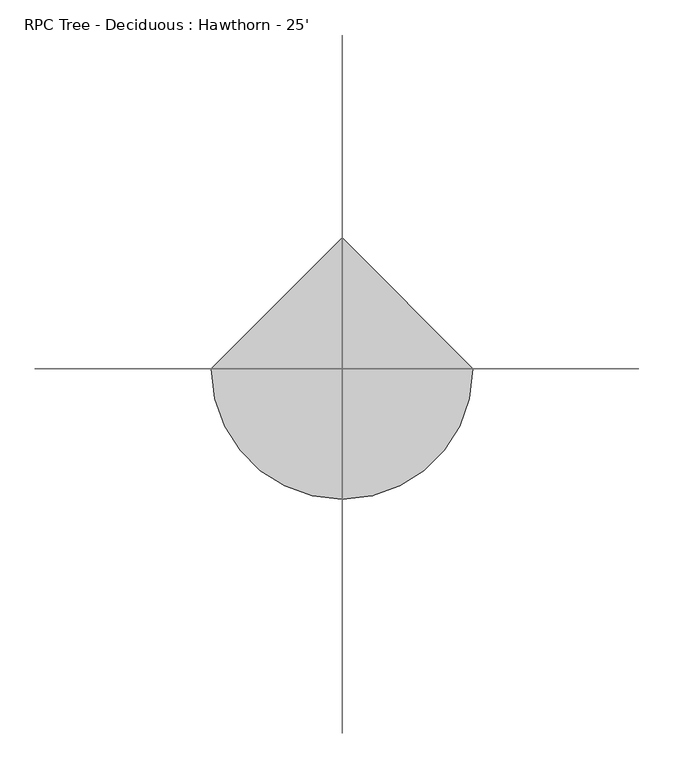
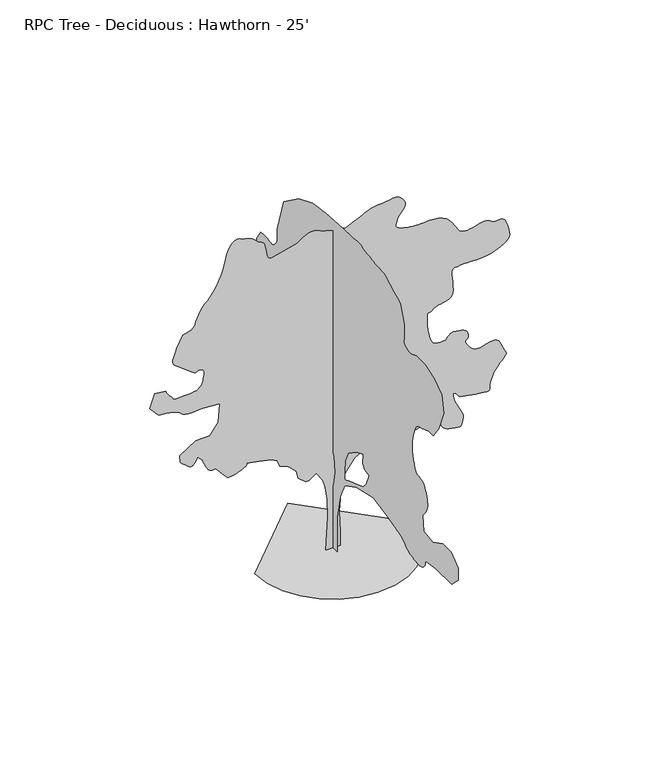
"""IFC4 building model written with IfcOpenShell, lengths in millimetres: geographic element geometry, RPC Tree - Deciduous : Hawthorn - 25'."""

from ifc_helpers import new_model, si_unit, origin, place, context, project, spatial, triangles, source, transform, mapped, element, save


def rpc_tree_deciduous_hawthorn_25_a438f522(model_context):
    return source(origin(), model_context, "Body", "Tessellation", [
        triangles([(159.1331283, 0.0003947, 0.019308), (-154.090976, 0.0003947, 0.019308), (-109.3440979, 0.0003507, 738.3315319), (-120.5310059, 0.000328, 1118.6758307), (-165.2768666, 0.0003107, 1409.5258827), (-210.0237538, 0.0003, 1588.5119053), (-355.4472356, 0.000288, 1789.8701088), (-500.8748051, 0.000294, 1689.1897717), (-579.1803815, 0.0002947, 1678.0035358), (-735.7915707, 0.0002867, 1812.2424351), (-780.538694, 0.000276, 1991.2284576), (-937.1498468, 0.0002667, 2147.8396832), (-1127.3219599, 0.000262, 2226.1452232), (-1183.2552464, 0.000254, 2360.3841225), (-1306.3080551, 0.00025, 2427.5035721), (-1563.5970016, 0.0002467, 2483.4367859), (-1820.8885643, 0.000244, 2528.1814384), (-1818.86674, 0.0002446, 2518.4962738), (-1819.0953598, 0.0002452, 2508.2221916), (-1823.8248676, 0.0002459, 2496.7743439), (-1835.3057076, 0.0002466, 2483.5664291), (-1855.7857075, 0.0002476, 2468.0089485), (-1887.5203983, 0.0002487, 2449.5176353), (-1932.7551373, 0.00025, 2427.5035721), (-1983.2071449, 0.0002513, 2406.1420853), (-2029.5519905, 0.0002523, 2389.4746433), (-2072.4703011, 0.000253, 2376.7238228), (-2112.6530228, 0.0002536, 2367.102317), (-2150.7784573, 0.000254, 2359.8303772), (-2187.5321732, 0.0002544, 2354.1230221), (-2223.605262, 0.0002547, 2349.1978867), (-2346.6579254, 0.0002467, 2483.4367859), (-2480.8968246, 0.0002373, 2640.0478661), (-2507.2492859, 0.0002376, 2635.5522102), (-2533.5026253, 0.0002377, 2632.8090637), (-2559.5553955, 0.0002377, 2633.596225), (-2585.33638, 0.0002373, 2639.6670753), (-2610.710994, 0.0002366, 2652.7732521), (-2635.5774994, 0.0002353, 2674.6934258), (-2659.885318, 0.0002333, 2707.1548164), (-2681.9072296, 0.0002311, 2744.2133102), (-2700.3982521, 0.000229, 2778.9097389), (-2715.9429428, 0.0002271, 2811.6501823), (-2729.1511482, 0.0002252, 2842.8413017), (-2740.6065536, 0.0002234, 2872.8385986), (-2750.8681366, 0.0002217, 2902.0740234), (-2760.570742, 0.00022, 2930.9030777), (-2861.2308769, 0.000214, 3031.5885017), (-2928.3631165, 0.00022, 2930.9030777), (-2940.4789467, 0.0002211, 2912.005394), (-2953.5089653, 0.0002221, 2894.8857994), (-2968.2664948, 0.0002229, 2881.2968033), (-2985.6907219, 0.0002234, 2872.9656258), (-3006.6202583, 0.0002235, 2871.6956451), (-3031.9695831, 0.0002231, 2879.2396614), (-3062.6020157, 0.000222, 2897.3496025), (-3096.5362816, 0.0002205, 2923.0035599), (-3130.1150459, 0.0002188, 2950.6387917), (-3161.5093506, 0.0002172, 2978.0708382), (-3189.0175552, 0.0002157, 3003.1405289), (-3210.8362816, 0.0002144, 3023.7145638), (-3225.212439, 0.0002136, 3037.6337723), (-3230.3940994, 0.0002133, 3042.7645638), (-3241.5701614, 0.000204, 3199.3808762), (-2905.9857033, 0.0001913, 3411.9277863), (-2603.9547203, 0.0001906, 3423.1038483), (-2424.9634655, 0.0001766, 3658.0281715), (-2391.402578, 0.0001526, 4060.7448692), (-2760.570742, 0.0001506, 4094.2980537), (-2839.3868614, 0.0001512, 4085.027108), (-2916.5522095, 0.0001516, 4077.7374367), (-2990.3898537, 0.0001518, 4074.3338654), (-3059.2490227, 0.0001517, 4076.8229576), (-3121.4283669, 0.0001511, 4087.1354095), (-3175.301532, 0.0001499, 4107.2266251), (-3219.2180374, 0.000148, 4139.0528801), (-3263.4394661, 0.0001459, 4173.1650421), (-3318.227401, 0.0001444, 4199.6317406), (-3381.8287514, 0.0001432, 4219.7741158), (-3452.4660095, 0.0001423, 4234.8106979), (-3528.3866661, 0.0001416, 4246.0120491), (-3607.8379211, 0.0001411, 4254.6990189), (-3689.0413948, 0.0001406, 4262.0904282), (-3879.2111824, 0.000128, 4474.6373383), (-3767.3496964, 0.0001106, 4765.4925499), (-3543.6267242, 0.000112, 4743.1151367), (-3529.174118, 0.0001135, 4716.8007545), (-3514.3404305, 0.0001151, 4690.7657158), (-3498.7195816, 0.0001166, 4665.3402328), (-3481.9046196, 0.0001181, 4640.7786507), (-3463.5406242, 0.0001195, 4617.3853111), (-3443.2206436, 0.0001208, 4595.4904266), (-3420.563887, 0.000122, 4575.3227623), (-3403.5713196, 0.0001231, 4556.2983421), (-3395.5956436, 0.0001242, 4538.2642685), (-3389.1692917, 0.0001251, 4522.1861801), (-3376.875856, 0.0001259, 4509.0544235), (-3351.2727676, 0.0001265, 4499.8340561), (-3304.9177483, 0.0001267, 4495.4907166), (-3230.3940994, 0.0001266, 4497.0147514), (-3147.7933273, 0.0001263, 4501.8153305), (-3080.4326134, 0.0001261, 4506.6159096), (-3025.7972855, 0.0001258, 4511.3911995), (-2981.3473824, 0.0001255, 4516.1917786), (-2944.5429428, 0.0001252, 4520.9923576), (-2912.7928459, 0.0001249, 4525.7929367), (-2883.6082901, 0.0001246, 4530.5679359), (-2855.0332901, 0.0001233, 4552.2596352), (-2827.6521126, 0.000122, 4574.6370483), (-2802.607711, 0.0001206, 4598.3858894), (-2781.0686188, 0.0001191, 4624.1668739), (-2764.2539474, 0.0001174, 4652.7165848), (-2753.2810707, 0.0001154, 4684.6695763), (-2749.3693909, 0.0001133, 4720.7377235), (-2745.4071327, 0.0001109, 4760.7934181), (-2736.720163, 0.0001084, 4802.805098), (-2728.2366692, 0.0001059, 4844.6133018), (-2724.858387, 0.0001036, 4884.0850204), (-2731.4370552, 0.0001015, 4919.0352127), (-2752.8999893, 9.98e-05, 4947.3561584), (-2794.1242172, 9.86e-05, 4966.8636887), (-2835.4754723, 9.84e-05, 4971.2320267), (-2860.596032, 9.89e-05, 4962.0883987), (-2879.2396614, 9.97e-05, 4949.2356949), (-2901.2359932, 0.0001001, 4942.4541321), (-2936.3132126, 9.95e-05, 4951.5216019), (-2994.3015335, 9.75e-05, 4986.2183212), (-3084.9794289, 9.33e-05, 5056.3477615), (-3185.5886948, 8.86e-05, 5134.4522964), (-3266.6398521, 8.52e-05, 5192.2121429), (-3327.7268211, 8.25e-05, 5238.0337646), (-3368.4429405, 7.99e-05, 5280.3497864), (-3388.4327087, 7.71e-05, 5327.5178375), (-3387.2897552, 7.35e-05, 5388.0205399), (-3364.6329987, 6.86e-05, 5470.2399399), (-3332.3750839, 6.34e-05, 5558.3020065), (-3302.4792343, 5.9e-05, 5632.2666779), (-3274.5137901, 5.53e-05, 5694.4966003), (-3248.1488297, 5.21e-05, 5747.3282593), (-3222.926532, 4.94e-05, 5793.1248825), (-3198.4916862, 4.69e-05, 5834.2217926), (-3174.4635017, 4.46e-05, 5872.9566376), (-3129.0991196, 4.4e-05, 5882.81185), (-3084.8015327, 4.34e-05, 5894.2163864), (-3042.6628258, 4.25e-05, 5908.7707306), (-3003.7500847, 4.13e-05, 5928.0236252), (-2969.155394, 3.98e-05, 5953.5255569), (-2939.945549, 3.78e-05, 5986.850267), (-2917.1617653, 3.53e-05, 6029.5732407), (-2900.9310699, 3.27e-05, 6072.7020035), (-2888.6120544, 3.06e-05, 6108.7701508), (-2877.258387, 2.86e-05, 6141.7140701), (-2863.9487343, 2.66e-05, 6175.4195709), (-2845.7370552, 2.43e-05, 6213.8497833), (-2819.7273056, 2.15e-05, 6260.8649368), (-2782.9228661, 1.79e-05, 6320.4281616), (-2744.5688118, 1.47e-05, 6374.7841461), (-2713.0727692, 1.26e-05, 6410.1918686), (-2684.3201637, 1.1e-05, 6436.3792236), (-2654.1702599, 9.4e-06, 6463.150264), (-2618.5596428, 7.2e-06, 6500.2852066), (-2573.3475769, 3.8e-06, 6557.5875229), (-2514.4552414, -1.4e-06, 6644.8362671), (-2453.8586494, -7.4e-06, 6746.4620407), (-2405.0042187, -1.31e-05, 6841.4324066), (-2365.9314583, -1.85e-05, 6931.32285), (-2334.6868538, -2.36e-05, 7017.682695), (-2309.3123852, -2.86e-05, 7102.0868454), (-2287.8543926, -3.36e-05, 7186.1102051), (-2268.3497692, -3.87e-05, 7271.2759369), (-2244.5754936, -4.38e-05, 7356.7980423), (-2212.386034, -4.86e-05, 7437.6204346), (-2172.9551559, -5.29e-05, 7509.0451447), (-2127.4586597, -5.63e-05, 7566.3730408), (-2077.0701656, -5.86e-05, 7604.9299896), (-2022.9657646, -5.95e-05, 7619.9924423), (-1966.3136993, -5.87e-05, 7606.8862656), (-1910.121199, -5.73e-05, 7582.9086594), (-1856.4689507, -5.63e-05, 7565.7887741), (-1805.1685936, -5.54e-05, 7551.412326), (-1756.0195587, -5.45e-05, 7535.6644501), (-1708.8265091, -5.32e-05, 7514.4302811), (-1663.3961426, -5.14e-05, 7483.5943726), (-1619.5303608, -4.87e-05, 7439.0936005), (-1579.0555058, -4.63e-05, 7399.0890656), (-1543.670747, -4.51e-05, 7378.0827896), (-1512.9800331, -4.44e-05, 7366.2974625), (-1486.5970505, -4.37e-05, 7353.9022888), (-1464.1256023, -4.23e-05, 7331.1437943), (-1445.1773403, -3.97e-05, 7288.217926), (-1429.3581024, -3.54e-05, 7215.3456299), (-1415.9875523, -3.04e-05, 7132.3890656), (-1403.2038849, -2.64e-05, 7065.2571167), (-1388.8528713, -2.34e-05, 7013.4155136), (-1370.7858055, -2.11e-05, 6976.2299927), (-1346.8464237, -1.98e-05, 6953.1412857), (-1314.8855839, -1.92e-05, 6943.5401276), (-1272.7470222, -1.94e-05, 6946.8678314), (-758.1663677, -2.74e-05, 7081.1067307), (-698.2198814, -2.99e-05, 7123.7785446), (-638.1794329, -3.23e-05, 7163.5040268), (-577.9408496, -3.43e-05, 7197.3368454), (-517.4101693, -3.58e-05, 7222.4068268), (-456.4857994, -3.66e-05, 7235.6908997), (-395.0737412, -3.65e-05, 7234.3444702), (-333.0749456, -3.54e-05, 7215.3456299), (-271.7289263, -3.38e-05, 7188.8786407), (-212.1431193, -3.25e-05, 7166.5015182), (-154.0251915, -3.14e-05, 7147.5526749), (-97.0814925, -3.04e-05, 7131.34785), (-41.0181631, -2.95e-05, 7117.1742966), (14.4578691, -2.88e-05, 7104.3983322), (69.6403804, -2.81e-05, 7092.3077911), (270.9999556, -2.67e-05, 7069.9306686), (584.2222612, -3.47e-05, 7204.1695679), (629.9473045, -3.64e-05, 7232.7445679), (676.749317, -3.81e-05, 7260.1254547), (725.7026516, -3.96e-05, 7285.1698563), (777.8843502, -4.08e-05, 7306.7092392), (834.371382, -4.18e-05, 7323.5239105), (896.2406433, -4.25e-05, 7334.4964966), (964.56656, -4.27e-05, 7338.4084671), (1038.7294024, -4.3e-05, 7343.6912842), (1115.4373655, -4.38e-05, 7356.0102997), (1191.7540735, -4.46e-05, 7370.107695), (1264.743441, -4.52e-05, 7380.6739105), (1331.4717808, -4.54e-05, 7382.4261292), (1389.0027168, -4.46e-05, 7370.107695), (1434.402562, -4.27e-05, 7338.4084671), (1469.8203129, -4.03e-05, 7297.1080811), (1498.5858536, -3.8e-05, 7258.7540268), (1519.5229477, -3.58e-05, 7222.177771), (1531.4610271, -3.37e-05, 7186.1607834), (1533.2212395, -3.15e-05, 7149.5595291), (1523.6327259, -2.92e-05, 7111.2054749), (1501.5195408, -2.67e-05, 7069.9306686), (1474.1255733, -2.45e-05, 7032.3637756), (1449.4698109, -2.28e-05, 7003.585881), (1427.5522533, -2.14e-05, 6980.1163834), (1408.3752262, -2.01e-05, 6958.3991043), (1391.9388748, -1.87e-05, 6934.9040268), (1378.2407284, -1.7e-05, 6906.151712), (1367.2806416, -1.47e-05, 6868.5598206), (1355.7362881, -1.23e-05, 6828.0210159), (1343.4097149, -1.02e-05, 6792.1819244), (1334.9946762, -8.3e-06, 6760.2542221), (1335.1903038, -6.6e-06, 6731.4507477), (1348.692968, -5e-06, 6705.0093384), (1380.1965683, -3.5e-06, 6680.1172531), (1434.402562, -2.1e-06, 6656.0123291), (1502.5633724, -8e-07, 6635.3118484), (1571.509164, 1e-07, 6620.4778702), (1639.2813354, 7e-07, 6610.5209198), (1703.9217213, 1e-06, 6604.5015198), (1763.4744816, 1.2e-06, 6601.4028717), (1815.9839218, 1.3e-06, 6600.2593369), (1859.4914406, 1.3e-06, 6600.0820221), (1908.6404755, 1.1e-06, 6602.7998795), (1975.9885448, 8e-07, 6608.0571167), (2056.4454071, 6e-07, 6611.5371368), (2144.9261982, 8e-07, 6608.9715958), (2236.3432926, 1.5e-06, 6596.0177353), (2325.6064487, 3.2e-06, 6568.3827942), (2407.633128, 5.9e-06, 6521.7734299), (2476.0555504, 9.6e-06, 6460.1789337), (2530.3911873, 1.36e-05, 6393.2754593), (2574.3635033, 1.77e-05, 6325.4063461), (2611.6760513, 2.15e-05, 6260.8649368), (2646.0422676, 2.49e-05, 6203.9689911), (2681.1959358, 2.76e-05, 6158.9856903), (2720.8452599, 2.93e-05, 6130.258374), (2765.3207428, 3.01e-05, 6115.9580841), (2812.1074219, 3.05e-05, 6110.4973709), (2860.8753754, 3.04e-05, 6112.3513275), (2911.1926529, 2.99e-05, 6120.0729492), (2962.6784637, 2.92e-05, 6132.2140686), (3014.9770157, 2.83e-05, 6147.2765213), (3067.6310692, 2.73e-05, 6163.8115585), (3115.4592545, 2.67e-05, 6173.1080841), (3162.4746986, 2.63e-05, 6180.6518097), (3207.9405281, 2.6e-05, 6184.6649368), (3251.0698723, 2.61e-05, 6183.3952469), (3291.0494087, 2.66e-05, 6175.0637787), (3327.1172653, 2.76e-05, 6157.9444748), (3358.4862808, 2.93e-05, 6130.258374), (3393.4620529, 3.05e-05, 6109.9386841), (3438.1912994, 3.06e-05, 6108.7957306), (3488.8135002, 3.01e-05, 6115.881926), (3541.3913956, 2.99e-05, 6120.200267), (3592.0135963, 3.04e-05, 6110.8531631), (3636.7428429, 3.25e-05, 6076.8424484), (3671.718615, 3.66e-05, 6007.1955368), (3699.2776886, 4.18e-05, 5920.2258453), (3722.3408157, 4.65e-05, 5841.4608856), (3737.75877, 5.07e-05, 5770.9250748), (3742.4323219, 5.44e-05, 5708.5934143), (3733.1866653, 5.76e-05, 5654.4914841), (3706.9484413, 6.04e-05, 5608.5937042), (3660.5172638, 6.26e-05, 5570.9256546), (3605.0439056, 6.46e-05, 5537.5247864), (3550.9419754, 6.65e-05, 5505.1145554), (3494.096608, 6.84e-05, 5474.6594376), (3430.3935196, 7e-05, 5447.1262344), (3355.7431343, 7.14e-05, 5423.5044205), (3266.0302963, 7.25e-05, 5404.7846329), (3157.1407219, 7.33e-05, 5391.931929), (3050.6893707, 7.37e-05, 5385.4549988), (2967.1235413, 7.38e-05, 5383.8550964), (2900.6008575, 7.37e-05, 5385.2009445), (2845.2036575, 7.36e-05, 5387.5124313), (2795.1148544, 7.35e-05, 5388.8332809), (2744.4417847, 7.36e-05, 5387.2327972), (2687.2917847, 7.4e-05, 5380.755867), (2632.1995079, 7.44e-05, 5373.8725662), (2590.4418823, 7.46e-05, 5369.5292267), (2560.1905312, 7.5e-05, 5363.4330872), (2539.7510811, 7.57e-05, 5351.2663879), (2527.325386, 7.71e-05, 5328.7369492), (2521.1609367, 7.93e-05, 5291.5258484), (2519.4970848, 8.26e-05, 5235.3409058), (2523.9979729, 8.71e-05, 5159.8269104), (2533.5866318, 9.23e-05, 5072.4002701), (2542.3849319, 9.78e-05, 4980.2494995), (2544.5441025, 0.0001032, 4890.6636887), (2534.1732239, 0.0001079, 4810.8569321), (2505.4078285, 0.0001117, 4748.0680321), (2452.3776352, 0.000114, 4709.5616615), (2387.9658691, 0.0001152, 4689.2416809), (2328.8373562, 0.0001161, 4674.4079933), (2274.7963234, 0.0001168, 4662.2924538), (2225.6474339, 0.0001175, 4650.2019127), (2181.1949146, 0.0001184, 4635.3682251), (2141.2406673, 0.0001196, 4615.0482445), (2105.594442, 0.0001213, 4586.4988243), (2074.7410927, 0.0001226, 4564.2231491), (2049.1734673, 0.000123, 4557.6189011), (2028.6908512, 0.0001231, 4556.2727623), (2013.1029945, 0.0001235, 4549.846701), (2002.2088921, 0.0001248, 4527.9773964), (1995.8156776, 0.0001276, 4480.2506584), (1993.727869, 0.0001326, 4396.3293274), (1998.2947414, 0.000139, 4289.0143661), (2011.0810249, 0.0001454, 4181.4709305), (2030.7126755, 0.0001515, 4079.0327065), (2055.8256775, 0.000157, 3986.9578033), (2085.0483124, 0.0001616, 3910.5546181), (2117.0091522, 0.0001649, 3855.0812599), (2150.3415653, 0.0001666, 3825.8202553), (2188.6294899, 0.0001673, 3814.6444839), (2233.3766132, 0.0001676, 3808.9294258), (2280.0795765, 0.0001677, 3807.3292328), (2324.2399624, 0.0001677, 3808.4721863), (2361.351796, 0.0001675, 3810.9868584), (2386.9220375, 0.0001674, 3813.5015305), (2396.4468922, 0.0001673, 3814.6444839), (2400.0004543, 0.0001668, 3823.2041359), (2411.1865448, 0.0001655, 3844.8958351), (2430.787674, 0.0001638, 3873.6231514), (2459.5862068, 0.000162, 3903.3411049), (2498.3643631, 0.0001605, 3927.9791359), (2547.8968048, 0.0001597, 3941.4411049), (2608.9837738, 0.00016, 3937.6817413), (2671.9758591, 0.0001607, 3924.8296188), (2726.5347382, 0.0001614, 3912.9675522), (2772.483387, 0.0001623, 3898.9468964), (2809.6183296, 0.0001634, 3879.6428421), (2837.7866684, 0.0001651, 3851.906163), (2856.7352211, 0.0001674, 3812.6379204), (2866.2855103, 0.0001706, 3758.7135956), (2862.7040428, 0.0001735, 3709.9456421), (2847.1593521, 0.0001752, 3682.3104103), (2826.9411095, 0.0001761, 3666.8418777), (2809.2625374, 0.0001769, 3654.4722839), (2801.3885994, 0.0001779, 3636.235025), (2810.5072289, 0.0001799, 3603.1387894), (2843.9080971, 0.0001833, 3546.1666855), (2889.3486374, 0.000187, 3484.6480568), (2930.6490234, 0.0001895, 3441.7218979), (2969.2315521, 0.0001912, 3414.061377), (3006.467942, 0.0001921, 3398.3640793), (3043.6790428, 0.0001925, 3391.2523041), (3082.2615715, 0.0001926, 3389.4233459), (3123.5619576, 0.0001926, 3389.5503731), (3174.7428452, 0.0001921, 3399.3294273), (3238.4459335, 0.0001908, 3421.249601), (3309.3628258, 0.0001894, 3444.134832), (3382.2607018, 0.0001886, 3456.860218), (3451.8311646, 0.0001891, 3448.2496971), (3512.7911064, 0.0001916, 3407.1524963), (3559.8571289, 0.0001966, 3322.4181335), (3596.9920715, 0.0002022, 3228.6924591), (3629.6310677, 0.0002061, 3162.9572273), (3654.6498894, 0.0002089, 3117.5419762), (3668.8993103, 0.0002108, 3084.8776909), (3669.2803917, 0.0002124, 3057.2680389), (3652.5924568, 0.0002142, 3027.1437149), (3615.7880173, 0.0002166, 2986.8336754), (3572.5063568, 0.0002193, 2942.3837723), (3537.6831917, 0.0002217, 2904.233194), (3509.8447746, 0.0002237, 2871.3148544), (3487.6196777, 0.0002256, 2842.5872475), (3469.6111839, 0.0002272, 2817.0094482), (3454.4219948, 0.0002288, 2793.5399506), (3440.6298134, 0.0002303, 2771.0863792), (3437.2006622, 0.00023, 2773.5501823), (3432.5271103, 0.0002299, 2772.1278854), (3425.3897552, 0.0002303, 2763.0345451), (3414.5439056, 0.0002314, 2742.4099319), (3398.7451607, 0.0002335, 2706.4182335), (3376.7235397, 0.0002367, 2651.1986389), (3347.3102188, 0.0002413, 2572.9412064), (3325.1359909, 0.0002461, 2493.0582916), (3319.1924583, 0.0002496, 2433.9271626), (3319.7005669, 0.000252, 2392.9976841), (3316.9065514, 0.0002535, 2367.722192), (3300.9807793, 0.0002543, 2355.5581089), (3262.1694855, 0.0002544, 2353.9579159), (3190.6939064, 0.000254, 2360.3841225), (3103.5213203, 0.0002534, 2370.2977615), (3023.3843513, 0.0002528, 2380.8006088), (2949.1147568, 0.0002521, 2391.791217), (2879.544294, 0.0002514, 2403.1729351), (2813.5044296, 0.0002507, 2414.8492573), (2749.8266304, 0.00025, 2426.721207), (2687.2917847, 0.0002493, 2438.6895172), (2647.0584846, 0.0002464, 2487.937674), (2609.8473839, 0.0002438, 2530.6275101), (2578.6815536, 0.0002421, 2560.2158203), (2556.6343529, 0.0002415, 2570.1219017), (2546.7285622, 0.0002425, 2553.8150482), (2551.9863808, 0.0002454, 2504.7319977), (2575.4302986, 0.0002507, 2416.3173363), (2612.9463226, 0.0002568, 2313.8436493), (2654.9324226, 0.000262, 2225.2638817), (2696.3598358, 0.0002666, 2148.0351654), (2732.09748, 0.0002707, 2079.6102722), (2757.0910126, 0.0002744, 2017.4488049), (2766.209642, 0.0002779, 1959.0060059), (2754.4240242, 0.0002813, 1901.734211), (2736.8980591, 0.0002844, 1850.8910934), (2728.0081947, 0.0002866, 1812.7631882), (2721.2516304, 0.0002882, 1786.3802055), (2710.2025955, 0.0002891, 1770.7567406), (2688.3841599, 0.0002895, 1764.9197422), (2649.3443916, 0.0002893, 1767.8864216), (2586.6063606, 0.0002887, 1778.6815475), (2516.4972679, 0.0002878, 1792.6413059), (2458.5092377, 0.000287, 1806.7966919), (2411.0875683, 0.000286, 1822.7122902), (2372.6700005, 0.0002849, 1841.9528309), (2341.6871532, 0.0002834, 1866.0878403), (2316.5741512, 0.0002816, 1896.6795776), (2295.766555, 0.0002793, 1935.2952438), (2282.6220085, 0.0002768, 1976.9435738), (2278.2862267, 0.0002746, 2015.0688629), (2277.8621246, 0.0002726, 2048.8888916), (2276.46003, 0.0002708, 2077.6214401), (2269.185474, 0.0002695, 2100.4838528), (2251.1515457, 0.0002685, 2116.6915844), (2217.4610149, 0.000268, 2125.4673569), (2177.5728973, 0.0002678, 2129.2823856), (2143.5572411, 0.0002676, 2131.3372021), (2114.4335827, 0.0002676, 2131.9239395), (2089.2216042, 0.0002676, 2131.3372021), (2066.9483997, 0.0002677, 2129.8691231), (2046.6284191, 0.0002678, 2127.8143066), (2027.2887566, 0.000268, 2125.4673569), (1758.8111034, 0.000274, 2024.7868744), (1579.8250809, 0.0002667, 2147.8396832), (1380.9128036, 0.0002704, 2075.457328), (1410.85429, 0.0002716, 2057.3014595), (1436.60984, 0.0002729, 2038.5130714), (1453.9936626, 0.0002741, 2018.4597897), (1458.8195309, 0.0002755, 1996.5066238), (1446.9019444, 0.0002771, 1972.0210545), (1414.0572922, 0.0002788, 1944.370562), (1356.0970219, 0.0002807, 1912.9203014), (1293.4784603, 0.0002823, 1885.3308517), (1245.5334217, 0.0002833, 1868.8920296), (1206.3972204, 0.0002837, 1862.4353016), (1170.1971771, 0.0002835, 1864.7822514), (1131.0609032, 0.0002829, 1874.7644909), (1083.118408, 0.0002819, 1891.2008423), (1020.4998465, 0.0002807, 1912.9203014), (729.6473236, 0.0002753, 2002.4145481), (461.1695615, 0.000284, 1856.9895584), (259.8112671, 0.0003, 1588.5119053), (192.6930892, 0.0003113, 1398.3397923), (170.3192732, 0.0003253, 1163.422954), (136.7603205, 0.0003487, 771.8924921), (159.1331283, 0.0003767, 302.0564901), (-0.000123, -157.488225, 0.0160584), (-0.000123, 166.924822, 0.0160778), (-0.0001013, 177.738606, 702.9113102), (-8.68e-05, 231.8072715, 1059.765691), (-7.23e-05, 404.8273247, 1416.6200718), (-6.51e-05, 567.0341025, 1654.5213936), (-5.79e-05, 848.1915413, 1849.1689602), (-4.34e-05, 1334.8118385, 2065.4447124), (-2.89e-05, 1907.9419716, 2130.3263626), (-2.89e-05, 2243.1683121, 1924.8659386), (-2.89e-05, 2491.8848167, 1892.4250408), (-2.17e-05, 2632.4532715, 2162.7697311), (-1.45e-05, 2859.5545258, 2195.2106289), (-7.2e-06, 3335.3469955, 2227.6513813), (0.0, 3616.5246002, 2249.279567), (7.2e-06, 3757.0881134, 2357.4172977), (7.2e-06, 3746.2931328, 2530.436824), (1.45e-05, 3919.2921661, 2638.5747002), (1.45e-05, 3967.7046181, 2647.972673), (1.45e-05, 4014.4912971, 2658.1328087), (1.45e-05, 4058.052301, 2669.7913994), (2.17e-05, 4096.7874367, 2683.7106079), (2.17e-05, 4129.1215096, 2700.6775955), (2.17e-05, 4153.3784592, 2721.4295265), (2.17e-05, 4168.0089615, 2746.7024025), (2.17e-05, 4176.6447716, 2777.0299118), (2.17e-05, 4184.163208, 2811.9042366), (2.17e-05, 4190.7162964, 2850.5629234), (2.89e-05, 4196.5075127, 2892.2443909), (2.89e-05, 4201.7400421, 2936.1861855), (2.89e-05, 4206.6167793, 2981.6523056), (2.89e-05, 4211.2650421, 3027.8802979), (3.62e-05, 4027.4454483, 3254.9559723), (2.89e-05, 3627.3195808, 3276.5968025), (2.17e-05, 3389.4233459, 3103.5721893), (2.17e-05, 3374.8945816, 3100.7020157), (2.17e-05, 3336.7184235, 3093.8440041), (2.17e-05, 3283.0228638, 3085.690432), (1.45e-05, 3221.9614746, 3078.8580002), (1.45e-05, 3161.6363777, 3075.9878265), (1.45e-05, 3110.2270157, 3079.7216103), (1.45e-05, 3075.8352196, 3092.7516289), (1.45e-05, 3052.3404327, 3114.7479607), (1.45e-05, 3028.2866684, 3143.0183281), (1.45e-05, 3003.7500847, 3176.4444855), (1.45e-05, 2978.8582901, 3214.0619568), (2.17e-05, 2953.6615723, 3254.803656), (2.17e-05, 2928.2869583, 3297.6277863), (2.17e-05, 2902.8106064, 3341.4681335), (2.89e-05, 2848.734256, 3611.8254684), (3.62e-05, 3075.8352196, 3784.8247925), (5.06e-05, 3248.8598328, 4076.7976685), (5.06e-05, 2967.6822281, 4336.3344429), (4.34e-05, 2675.7096428, 4239.0017212), (3.62e-05, 2491.8848167, 4087.6179382), (3.62e-05, 2286.4219219, 4228.2067406), (4.34e-05, 2286.4219219, 4466.1029755), (5.79e-05, 2481.0694885, 4682.3836693), (5.79e-05, 2522.6544502, 4705.5229546), (5.79e-05, 2563.4923645, 4728.4593452), (5.79e-05, 2602.786187, 4751.0399437), (5.79e-05, 2639.8446808, 4773.0362755), (5.79e-05, 2673.8553955, 4794.2960243), (6.51e-05, 2704.0811668, 4814.5907158), (6.51e-05, 2729.7859932, 4833.7674522), (6.51e-05, 2749.8013412, 4860.5137848), (6.51e-05, 2764.1522095, 4901.992067), (6.51e-05, 2773.7789474, 4955.7887833), (7.23e-05, 2779.5954529, 5019.390715), (7.23e-05, 2782.5926537, 5090.4090546), (7.23e-05, 2783.710318, 5166.3038406), (7.23e-05, 2783.8626343, 5244.688591), (7.96e-05, 2643.2738319, 5460.9689941), (7.96e-05, 2638.1936188, 5462.1375275), (7.96e-05, 2623.8680397, 5465.0077011), (7.96e-05, 2601.5670753, 5468.6400375), (7.96e-05, 2572.6618629, 5472.068898), (7.96e-05, 2538.4505791, 5474.354805), (7.96e-05, 2500.2694794, 5474.5832794), (7.96e-05, 2459.4440643, 5471.7892639), (7.96e-05, 2416.0634274, 5465.5158096), (7.23e-05, 2370.5999233, 5457.3366577), (7.23e-05, 2324.9486401, 5449.3615631), (7.23e-05, 2281.0014679, 5443.6462143), (7.23e-05, 2240.6460823, 5442.3003662), (7.23e-05, 2205.7769897, 5447.3802887), (7.23e-05, 2178.2865166, 5460.9689941), (7.23e-05, 2156.0590942, 5480.4509445), (7.23e-05, 2135.5359283, 5501.6345352), (7.23e-05, 2116.4299725, 5524.2407135), (7.23e-05, 2098.4595577, 5547.9892639), (7.23e-05, 2081.3399632, 5572.5767166), (7.23e-05, 2064.7867584, 5597.7228561), (7.23e-05, 2048.5206001, 5623.1736282), (8.68e-05, 2037.7052719, 5893.5053833), (0.0001013, 1810.6168076, 6650.4754578), (0.0001085, 1259.1148602, 7050.6010345), (0.0001085, 740.0536652, 7266.8564392), (0.0001013, 264.2486416, 7331.7536407), (9.4e-05, -200.7431066, 7364.1894516), (8.68e-05, -654.9205622, 7385.8299911), (8.68e-05, -694.7400793, 7388.0908997), (8.68e-05, -753.6629362, 7393.3737167), (8.68e-05, -824.3155277, 7399.4442764), (8.68e-05, -899.3190891, 7403.9655121), (8.68e-05, -971.295001, 7404.7276749), (7.96e-05, -1032.8671148, 7399.4442764), (7.96e-05, -1076.6592093, 7385.8299911), (7.96e-05, -1121.7111105, 7368.5327911), (7.96e-05, -1186.8138227, 7353.5464966), (7.96e-05, -1264.2126595, 7340.41474), (7.96e-05, -1346.1503906, 7328.807309), (7.23e-05, -1424.8724751, 7318.3422501), (7.23e-05, -1492.6244442, 7308.6393539), (7.23e-05, -1541.6489227, 7299.3178299), (7.23e-05, -1586.6069344, 7292.8658981), (7.23e-05, -1644.4273876, 7290.2247803), (7.23e-05, -1710.7593853, 7288.5225586), (6.51e-05, -1781.254501, 7284.9413818), (6.51e-05, -1851.5590759, 7276.6099136), (6.51e-05, -1917.3246838, 7260.7097214), (6.51e-05, -1974.2002819, 7234.4206284), (6.51e-05, -2029.2775887, 7201.04534), (5.79e-05, -2091.7336601, 7165.9422501), (5.79e-05, -2160.3364494, 7129.4427338), (5.79e-05, -2233.8566711, 7091.7996826), (5.06e-05, -2311.0675106, 7053.2933121), (5.06e-05, -2390.7344501, 7014.2282547), (5.06e-05, -2471.6334366, 6974.8835632), (3.62e-05, -2623.0300095, 6596.4241058), (2.17e-05, -2612.209449, 6250.3748795), (2.17e-05, -2603.3448738, 6234.0683167), (2.17e-05, -2596.9441017, 6217.3042236), (2.17e-05, -2595.4709358, 6199.5750732), (2.17e-05, -2601.3638901, 6180.4489151), (2.17e-05, -2617.1117661, 6159.4176407), (2.17e-05, -2645.1280792, 6136.0243011), (2.17e-05, -2687.9016312, 6109.7863678), (2.17e-05, -2739.2095459, 6088.9329895), (1.45e-05, -2791.0761475, 6080.5253632), (1.45e-05, -2843.4002792, 6082.5572159), (1.45e-05, -2896.1052017, 6092.894957), (1.45e-05, -2949.1147568, 6109.4811539), (1.45e-05, -3002.3024986, 6130.2327942), (1.45e-05, -3055.5661079, 6153.0424484), (7.2e-06, -3390.7950645, 6153.0424484), (0.0, -3726.0237305, 6044.9147461), (-7.2e-06, -3996.3810654, 5850.2743011), (-2.17e-05, -4061.2526871, 5471.7892639), (-2.89e-05, -3877.4330933, 5017.6123352), (-3.62e-05, -3682.7676498, 4747.255291), (-3.62e-05, -3647.7410088, 4747.0773949), (-3.62e-05, -3611.1144653, 4745.7565453), (-3.62e-05, -3571.261956, 4742.1497887), (-3.62e-05, -3526.5832878, 4735.1647499), (-3.62e-05, -3475.4785583, 4723.6078972), (-3.62e-05, -3416.3472839, 4706.4121445), (-2.89e-05, -3347.5389839, 4682.3836693), (-2.89e-05, -3278.5272079, 4659.244384), (-2.89e-05, -3219.1674591, 4642.9122414), (-2.89e-05, -3168.4943893, 4629.6025887), (-2.89e-05, -3125.5938103, 4615.5310638), (-2.89e-05, -3089.5003738, 4596.9383034), (-2.89e-05, -3059.2746025, 4570.0143654), (-2.89e-05, -3033.9508575, 4530.9745972), (-3.62e-05, -3009.1605103, 4474.9675507), (-3.62e-05, -2982.6935211, 4403.2379173), (-3.62e-05, -2956.7602203, 4321.29757), (-3.62e-05, -2933.6970932, 4234.6330925), (-4.34e-05, -2915.7138885, 4148.7301964), (-4.34e-05, -2905.1220932, 4069.0504669), (-4.34e-05, -2904.182325, 4001.1054863), (-5.06e-05, -2913.1739273, 3931.6111816), (-5.06e-05, -2929.7092552, 3849.0868584), (-5.06e-05, -2952.1375374, 3761.6346382), (-5.79e-05, -2978.7056831, 3677.3828041), (-5.79e-05, -3007.7379227, 3604.510508), (-6.51e-05, -3037.5320343, 3551.0942917), (-6.51e-05, -3066.3866684, 3525.3133072), (-6.51e-05, -3100.752594, 3518.1250832), (-6.51e-05, -3145.3295242, 3512.8163956), (-6.51e-05, -3195.7741196, 3506.0092529), (-6.51e-05, -3247.7424591, 3494.2745041), (-6.51e-05, -3296.840625, 3474.2338669), (-7.23e-05, -3338.775856, 3442.4584808), (-7.23e-05, -3369.1795235, 3395.5447746), (-7.23e-05, -3392.7507591, 3341.163501), (-7.23e-05, -3416.1440987, 3288.8393692), (-7.96e-05, -3437.8357979, 3238.0648521), (-7.96e-05, -3456.3268204, 3188.2048141), (-7.96e-05, -3470.0684235, 3138.7511467), (-7.96e-05, -3477.5612801, 3089.0940033), (-8.68e-05, -3477.3072258, 3038.6752785), (-8.68e-05, -3468.5696777, 2989.2721893), (-8.68e-05, -3452.4660095, 2942.7139847), (-8.68e-05, -3430.2159142, 2898.5181358), (-8.68e-05, -3403.0379219, 2856.2018234), (-8.68e-05, -3372.1767242, 2815.3078079), (-8.68e-05, -3338.8520142, 2775.3791405), (-8.68e-05, -3304.2826126, 2735.9074219), (-0.0001013, -3325.9234428, 2389.8581955), (-0.0001085, -3671.9726692, 2346.6021149), (-0.0001085, -4028.8168762, 2530.436824), (-0.0001085, -4342.4050026, 2530.436824), (-0.000123, -4591.1215073, 2324.9765453), (-0.0001302, -4601.9420677, 2065.4447124), (-0.0001302, -4353.225563, 1827.5433907), (-0.000123, -3769.2801018, 1816.7280624), (-0.000123, -3401.6153343, 1762.6591244), (-0.000123, -3391.887149, 1716.5988544), (-0.000123, -3379.2887901, 1672.2403702), (-0.000123, -3361.0515312, 1631.287928), (-0.000123, -3334.2802002, 1595.4409882), (-0.000123, -3296.1546204, 1566.4036617), (-0.000123, -3243.8560684, 1545.8804958), (-0.000123, -3174.5396599, 1535.57066), (-0.000123, -3100.1939072, 1534.0567989), (-0.000123, -3033.9761467, 1538.0293762), (-0.000123, -2974.7687141, 1546.3529961), (-0.0001157, -2921.4289467, 1557.8922626), (-0.0001157, -2872.8133095, 1571.5116348), (-0.0001157, -2827.8044289, 1586.0760075), (-0.0001157, -2785.2343529, 1600.4524555), (-0.0001157, -2741.7495071, 1620.3151966), (-0.0001157, -2695.6229622, 1649.4464127), (-0.0001085, -2648.1758583, 1683.8735264), (-0.0001085, -2600.7287544, 1719.6265766), (-0.0001085, -2554.6025002, 1752.7277538), (-0.0001085, -2511.138002, 1779.2123291), (-0.0001085, -2471.6334366, 1795.1000221), (-9.4e-05, -1963.3875698, 1935.6812668), (-8.68e-05, -1487.5799847, 2022.1911026), (-7.96e-05, -849.5682014, 1870.7970005), (-7.96e-05, -427.8320978, 1643.7085361), (-8.68e-05, -265.62532, 1308.4821957), (-0.0001013, -157.488225, 789.4210733), (-0.0001157, -157.488225, 356.8696415), (7.2e-06, 350.7584229, 2173.5824432), (7.2e-06, 383.199248, 1989.7475887), (0.0, 350.7584229, 1751.8464123), (-1.45e-05, 220.9934875, 1513.9426197), (-2.17e-05, 69.6010114, 1178.7162792), (-2.17e-05, -27.7230557, 1438.2456413), (-7.2e-06, -81.7917281, 1741.0310841), (0.0, -49.3503716, 2065.4447124), (7.2e-06, 69.6010114, 2314.1612171), (1.45e-05, 177.738606, 2400.6709076), (-3.62e-05, -1109.1000343, 2768.3432327), (-3.62e-05, -860.3835297, 2660.1902412), (-3.62e-05, -568.410799, 2465.5553192), (-4.34e-05, -460.2729229, 2227.6513813), (-5.06e-05, -438.6448462, 1978.9348766), (-5.79e-05, -438.6448462, 1795.1000221), (-5.79e-05, -611.6669523, 1859.9842884), (-5.79e-05, -903.6371395, 1957.3068363), (-5.79e-05, -1109.1000343, 2043.8191429), (-5.79e-05, -1217.2379105, 2162.7697311), (-5.06e-05, -1325.3757866, 2411.4862358), (-4.34e-05, -1163.1689724, 2454.739991), (-4.34e-05, -1098.2847061, 2562.8828087), (-1650.2489799, 0.0, 9.84e-05), (-1606.6219917, -378.1268832, 7.58e-05), (-1482.373035, -725.3775261, 5.51e-05), (-1287.4484505, -1031.8003195, 3.69e-05), (-1031.8003195, -1287.4484505, 2.16e-05), (-725.3775261, -1482.3704189, 1e-05), (-378.1268832, -1606.6219917, 2.6e-06), (6.51e-05, -1650.2489799, 0.0), (378.1268832, -1606.6219917, 2.6e-06), (725.3775261, -1482.3704189, 1e-05), (1031.8003195, -1287.4484505, 2.16e-05), (1287.4484505, -1031.8003195, 3.69e-05), (1482.3704189, -725.3775261, 5.51e-05), (1606.6219917, -378.1268832, 7.58e-05), (1650.2489799, 0.0001443, 9.84e-05), (-0.0002242, 1650.2489799, 0.0001967)], [[403, 404, 405], [1, 2, 3], [491, 1, 3], [490, 491, 3], [490, 3, 4], [489, 490, 4], [489, 4, 5], [488, 489, 5], [84, 85, 86], [84, 86, 87], [83, 84, 87], [83, 87, 88], [83, 88, 89], [83, 89, 90], [82, 83, 90], [82, 90, 91], [82, 91, 92], [81, 82, 92], [81, 92, 93], [81, 93, 94], [81, 94, 95], [81, 95, 96], [81, 96, 97], [80, 81, 97], [80, 97, 98], [79, 80, 98], [79, 98, 99], [78, 79, 99], [78, 99, 100], [77, 78, 100], [77, 100, 101], [488, 5, 6], [487, 488, 6], [76, 77, 101], [76, 101, 102], [75, 76, 102], [74, 75, 102], [73, 74, 102], [73, 102, 103], [72, 73, 103], [72, 103, 104], [71, 72, 104], [71, 104, 105], [70, 71, 105], [70, 105, 106], [70, 106, 107], [69, 70, 107], [68, 69, 107], [68, 107, 108], [68, 108, 109], [68, 109, 110], [68, 110, 111], [68, 111, 112], [63, 64, 65], [62, 63, 65], [61, 62, 65], [60, 61, 65], [59, 60, 65], [58, 59, 65], [57, 58, 65], [56, 57, 65], [55, 56, 65], [54, 55, 65], [53, 54, 65], [52, 53, 65], [51, 52, 65], [50, 51, 65], [49, 50, 65], [48, 49, 65], [48, 65, 66], [47, 48, 66], [30, 31, 32], [467, 468, 469], [487, 6, 7], [486, 487, 7], [68, 112, 113], [8, 9, 10], [7, 8, 10], [7, 10, 11], [29, 30, 32], [414, 415, 416], [414, 416, 417], [413, 414, 417], [413, 417, 418], [412, 413, 418], [412, 418, 419], [141, 142, 143], [411, 412, 419], [411, 419, 420], [12, 13, 14], [28, 29, 32], [424, 425, 426], [27, 28, 32], [442, 443, 444], [441, 442, 444], [441, 444, 445], [440, 441, 445], [440, 445, 446], [439, 440, 446], [439, 446, 447], [438, 439, 447], [437, 438, 447], [436, 437, 447], [436, 447, 448], [435, 436, 448], [435, 448, 449], [435, 449, 450], [435, 450, 451], [435, 451, 452], [435, 452, 453], [435, 453, 454], [435, 454, 455], [435, 455, 456], [434, 435, 456], [434, 456, 457], [433, 434, 457], [433, 457, 458], [432, 433, 458], [432, 458, 459], [431, 432, 459], [431, 459, 460], [431, 460, 461], [430, 431, 461], [430, 461, 462], [430, 462, 463], [430, 463, 464], [411, 420, 421], [410, 411, 421], [410, 421, 422], [409, 410, 422], [409, 422, 423], [408, 409, 423], [408, 423, 424], [408, 424, 426], [408, 426, 427], [408, 427, 428], [407, 408, 428], [430, 464, 465], [406, 407, 428], [473, 474, 475], [472, 473, 475], [472, 475, 476], [471, 472, 476], [471, 476, 477], [470, 471, 477], [470, 477, 478], [470, 478, 479], [470, 479, 480], [470, 480, 481], [470, 481, 482], [470, 482, 483], [470, 483, 484], [470, 484, 485], [406, 428, 429], [26, 27, 32], [68, 113, 114], [25, 26, 32], [25, 32, 33], [24, 25, 33], [23, 24, 33], [22, 23, 33], [21, 22, 33], [20, 21, 33], [19, 20, 33], [18, 19, 33], [17, 18, 33], [46, 47, 66], [430, 465, 466], [45, 46, 66], [44, 45, 66], [43, 44, 66], [42, 43, 66], [41, 42, 66], [40, 41, 66], [39, 40, 66], [38, 39, 66], [37, 38, 66], [36, 37, 66], [35, 36, 66], [34, 35, 66], [33, 34, 66], [17, 33, 66], [17, 66, 67], [16, 17, 67], [15, 16, 67], [15, 67, 68], [68, 114, 115], [68, 115, 116], [68, 116, 117], [430, 466, 467], [430, 467, 469], [429, 430, 469], [403, 405, 406], [124, 125, 126], [123, 124, 126], [123, 126, 127], [403, 406, 429], [402, 403, 429], [401, 402, 429], [400, 401, 429], [399, 400, 429], [122, 123, 127], [122, 127, 128], [486, 7, 11], [486, 11, 12], [485, 486, 12], [485, 12, 14], [394, 395, 396], [393, 394, 396], [393, 396, 397], [392, 393, 397], [392, 397, 398], [391, 392, 398], [391, 398, 399], [391, 399, 429], [390, 391, 429], [389, 390, 429], [388, 389, 429], [387, 388, 429], [386, 387, 429], [385, 386, 429], [384, 385, 429], [383, 384, 429], [382, 383, 429], [381, 382, 429], [380, 381, 429], [379, 380, 429], [378, 379, 429], [377, 378, 429], [376, 377, 429], [376, 429, 469], [375, 376, 469], [374, 375, 469], [374, 469, 470], [374, 470, 485], [374, 485, 14], [373, 374, 14], [373, 14, 15], [373, 15, 68], [373, 68, 117], [373, 117, 118], [373, 118, 119], [372, 373, 119], [372, 119, 120], [325, 326, 327], [325, 327, 328], [324, 325, 328], [323, 324, 328], [323, 328, 329], [323, 329, 330], [322, 323, 330], [322, 330, 331], [321, 322, 331], [321, 331, 332], [320, 321, 332], [320, 332, 333], [319, 320, 333], [175, 176, 177], [174, 175, 177], [173, 174, 177], [173, 177, 178], [172, 173, 178], [172, 178, 179], [171, 172, 179], [170, 171, 179], [170, 179, 180], [170, 180, 181], [170, 181, 182], [170, 182, 183], [170, 183, 184], [169, 170, 184], [169, 184, 185], [168, 169, 185], [168, 185, 186], [167, 168, 186], [166, 167, 186], [166, 186, 187], [166, 187, 188], [166, 188, 189], [166, 189, 190], [166, 190, 191], [166, 191, 192], [166, 192, 193], [166, 193, 194], [166, 194, 195], [165, 166, 195], [164, 165, 195], [164, 195, 196], [163, 164, 196], [162, 163, 196], [162, 196, 197], [161, 162, 197], [160, 161, 197], [289, 290, 291], [289, 291, 292], [288, 289, 292], [288, 292, 293], [287, 288, 293], [287, 293, 294], [286, 287, 294], [286, 294, 295], [286, 295, 296], [286, 296, 297], [286, 297, 298], [286, 298, 299], [286, 299, 300], [286, 300, 301], [286, 301, 302], [286, 302, 303], [286, 303, 304], [286, 304, 305], [286, 305, 306], [285, 286, 306], [285, 306, 307], [284, 285, 307], [283, 284, 307], [282, 283, 307], [281, 282, 307], [280, 281, 307], [279, 280, 307], [278, 279, 307], [277, 278, 307], [276, 277, 307], [275, 276, 307], [275, 307, 308], [275, 308, 309], [274, 275, 309], [274, 309, 310], [273, 274, 310], [273, 310, 311], [273, 311, 312], [272, 273, 312], [272, 312, 313], [271, 272, 313], [271, 313, 314], [271, 314, 315], [271, 315, 316], [270, 271, 316], [270, 316, 317], [269, 270, 317], [268, 269, 317], [267, 268, 317], [266, 267, 317], [265, 266, 317], [264, 265, 317], [263, 264, 317], [262, 263, 317], [261, 262, 317], [260, 261, 317], [259, 260, 317], [258, 259, 317], [257, 258, 317], [256, 257, 317], [256, 317, 318], [255, 256, 318], [254, 255, 318], [253, 254, 318], [252, 253, 318], [252, 318, 319], [252, 319, 333], [252, 333, 334], [252, 334, 335], [252, 335, 336], [252, 336, 337], [252, 337, 338], [251, 252, 338], [250, 251, 338], [249, 250, 338], [249, 338, 339], [248, 249, 339], [369, 370, 371], [369, 371, 372], [368, 369, 372], [367, 368, 372], [366, 367, 372], [365, 366, 372], [364, 365, 372], [363, 364, 372], [362, 363, 372], [361, 362, 372], [360, 361, 372], [359, 360, 372], [358, 359, 372], [357, 358, 372], [356, 357, 372], [355, 356, 372], [354, 355, 372], [248, 339, 340], [140, 141, 143], [140, 143, 144], [139, 140, 144], [353, 354, 372], [132, 133, 134], [131, 132, 134], [131, 134, 135], [130, 131, 135], [130, 135, 136], [129, 130, 136], [129, 136, 137], [128, 129, 137], [122, 128, 137], [122, 137, 138], [122, 138, 139], [122, 139, 144], [122, 144, 145], [122, 145, 146], [121, 122, 146], [121, 146, 147], [120, 121, 147], [120, 147, 148], [120, 148, 149], [120, 149, 150], [120, 150, 151], [120, 151, 152], [120, 152, 153], [120, 153, 154], [120, 154, 155], [120, 155, 156], [120, 156, 157], [120, 157, 158], [120, 158, 159], [120, 159, 160], [120, 160, 197], [120, 197, 198], [120, 198, 199], [227, 228, 229], [227, 229, 230], [226, 227, 230], [226, 230, 231], [225, 226, 231], [225, 231, 232], [225, 232, 233], [225, 233, 234], [225, 234, 235], [225, 235, 236], [225, 236, 237], [225, 237, 238], [225, 238, 239], [225, 239, 240], [224, 225, 240], [224, 240, 241], [223, 224, 241], [223, 241, 242], [222, 223, 242], [222, 242, 243], [222, 243, 244], [222, 244, 245], [221, 222, 245], [220, 221, 245], [219, 220, 245], [218, 219, 245], [218, 245, 246], [217, 218, 246], [216, 217, 246], [215, 216, 246], [215, 246, 247], [214, 215, 247], [214, 247, 248], [214, 248, 340], [213, 214, 340], [212, 213, 340], [211, 212, 340], [211, 340, 341], [210, 211, 341], [209, 210, 341], [209, 341, 342], [208, 209, 342], [207, 208, 342], [207, 342, 343], [206, 207, 343], [205, 206, 343], [204, 205, 343], [203, 204, 343], [202, 203, 343], [201, 202, 343], [200, 201, 343], [199, 200, 343], [120, 199, 343], [120, 343, 344], [120, 344, 345], [120, 345, 346], [120, 346, 347], [120, 347, 348], [352, 353, 372], [351, 352, 372], [350, 351, 372], [349, 350, 372], [349, 372, 120], [349, 120, 348], [733, 741, 742], [741, 733, 734], [492, 731, 732], [492, 732, 733], [728, 492, 733], [727, 728, 733], [741, 734, 735], [733, 742, 743], [733, 743, 744], [741, 735, 736], [726, 727, 733], [726, 733, 744], [725, 726, 744], [724, 725, 744], [724, 744, 745], [724, 745, 746], [723, 724, 746], [723, 746, 747], [723, 747, 748], [741, 736, 737], [492, 493, 494], [723, 748, 749], [542, 543, 544], [542, 544, 545], [541, 542, 545], [541, 545, 546], [501, 502, 503], [500, 501, 503], [722, 723, 749], [506, 507, 508], [505, 506, 508], [641, 642, 643], [741, 737, 738], [696, 697, 698], [695, 696, 698], [695, 698, 699], [694, 695, 699], [693, 694, 699], [693, 699, 700], [692, 693, 700], [523, 524, 525], [522, 523, 525], [521, 522, 525], [521, 525, 526], [520, 521, 526], [519, 520, 526], [518, 519, 526], [517, 518, 526], [516, 517, 526], [515, 516, 526], [514, 515, 526], [513, 514, 526], [512, 513, 526], [511, 512, 526], [510, 511, 526], [509, 510, 526], [508, 509, 526], [505, 508, 526], [505, 526, 527], [505, 527, 528], [505, 528, 529], [505, 529, 530], [504, 505, 530], [504, 530, 531], [504, 531, 532], [504, 532, 533], [503, 504, 533], [503, 533, 534], [503, 534, 535], [500, 503, 535], [500, 535, 536], [500, 536, 537], [500, 537, 538], [500, 538, 539], [500, 539, 540], [500, 540, 541], [500, 541, 546], [500, 546, 547], [499, 500, 547], [641, 643, 644], [638, 639, 640], [638, 640, 641], [637, 638, 641], [637, 641, 644], [637, 644, 645], [637, 645, 646], [636, 637, 646], [636, 646, 647], [635, 636, 647], [634, 635, 647], [634, 647, 648], [634, 648, 649], [633, 634, 649], [633, 649, 650], [633, 650, 651], [632, 633, 651], [632, 651, 652], [632, 652, 653], [631, 632, 653], [631, 653, 654], [630, 631, 654], [630, 654, 655], [629, 630, 655], [629, 655, 656], [628, 629, 656], [749, 750, 751], [749, 751, 739], [563, 564, 565], [563, 565, 566], [563, 566, 567], [563, 567, 568], [563, 568, 569], [562, 563, 569], [562, 569, 570], [562, 570, 571], [562, 571, 572], [561, 562, 572], [561, 572, 573], [561, 573, 574], [560, 561, 574], [559, 560, 574], [559, 574, 575], [558, 559, 575], [557, 558, 575], [556, 557, 575], [555, 556, 575], [554, 555, 575], [553, 554, 575], [552, 553, 575], [551, 552, 575], [550, 551, 575], [549, 550, 575], [549, 575, 576], [549, 576, 577], [548, 549, 577], [548, 577, 578], [548, 578, 579], [498, 499, 547], [619, 620, 621], [628, 656, 657], [627, 628, 657], [586, 587, 588], [548, 579, 580], [618, 619, 621], [618, 621, 622], [618, 622, 623], [617, 618, 623], [617, 623, 624], [616, 617, 624], [615, 616, 624], [586, 588, 589], [585, 586, 589], [585, 589, 590], [585, 590, 591], [585, 591, 592], [627, 657, 658], [615, 624, 625], [614, 615, 625], [548, 580, 581], [498, 547, 548], [498, 548, 581], [498, 581, 582], [498, 582, 583], [498, 583, 584], [498, 584, 585], [498, 585, 592], [498, 592, 593], [497, 498, 593], [497, 593, 594], [497, 594, 595], [497, 595, 596], [497, 596, 597], [497, 597, 598], [497, 598, 599], [497, 599, 600], [497, 600, 601], [497, 601, 602], [497, 602, 603], [497, 603, 604], [497, 604, 605], [497, 605, 606], [497, 606, 607], [497, 607, 608], [497, 608, 609], [627, 658, 659], [613, 614, 625], [612, 613, 625], [611, 612, 625], [610, 611, 625], [609, 610, 625], [740, 741, 738], [626, 627, 659], [626, 659, 660], [722, 749, 739], [721, 722, 739], [609, 625, 626], [609, 626, 660], [609, 660, 661], [609, 661, 662], [609, 662, 663], [675, 676, 677], [674, 675, 677], [674, 677, 678], [673, 674, 678], [672, 673, 678], [672, 678, 679], [671, 672, 679], [671, 679, 680], [671, 680, 681], [671, 681, 682], [671, 682, 683], [671, 683, 684], [671, 684, 685], [671, 685, 686], [671, 686, 687], [671, 687, 688], [671, 688, 689], [671, 689, 690], [670, 671, 690], [670, 690, 691], [669, 670, 691], [692, 700, 701], [692, 701, 702], [692, 702, 703], [692, 703, 704], [692, 704, 705], [692, 705, 706], [692, 706, 707], [692, 707, 708], [692, 708, 709], [692, 709, 710], [692, 710, 711], [692, 711, 712], [692, 712, 713], [692, 713, 714], [692, 714, 715], [692, 715, 716], [692, 716, 717], [692, 717, 718], [692, 718, 719], [692, 719, 720], [692, 720, 721], [692, 721, 739], [691, 692, 739], [669, 691, 739], [668, 669, 739], [667, 668, 739], [666, 667, 739], [665, 666, 739], [664, 665, 739], [663, 664, 739], [609, 663, 739], [609, 739, 740], [609, 740, 738], [492, 494, 495], [731, 492, 495], [731, 495, 496], [731, 496, 497], [730, 731, 497], [729, 730, 497], [729, 497, 609], [729, 609, 738], [766, 767, 752], [765, 766, 752], [765, 752, 753], [764, 765, 753], [764, 753, 754], [764, 754, 755], [763, 764, 755], [762, 763, 755], [762, 755, 756], [762, 756, 757], [762, 757, 758], [762, 758, 759], [762, 759, 760], [762, 760, 761]], closed=False),
    ])


if __name__ == "__main__":
    model = new_model("IFC4")
    model_context = context("Model", 3, world=origin())
    ifc_project = project(units=[si_unit("LENGTHUNIT", "METRE", prefix="MILLI")], contexts=[model_context])
    site = spatial("IfcSite", under=ifc_project)
    building = spatial("IfcBuilding", under=site)
    placement = place(None, origin())
    rpc_tree_deciduous_hawthorn_25_shape = rpc_tree_deciduous_hawthorn_25_a438f522(model_context)
    element("IfcGeographicElement", 1, ObjectType="RPC Tree - Deciduous : Hawthorn - 25'", at=placement, inside=building, context=model_context, shape_type="MappedRepresentation", body=[
        mapped(rpc_tree_deciduous_hawthorn_25_shape, transform((0.0, 0.0, 0.0), x_axis=(1.0, 0.0, 0.0), y_axis=(0.0, 1.0, 0.0), z_axis=(0.0, 0.0, 1.0))),
    ])
    save(model, "model.ifc")
